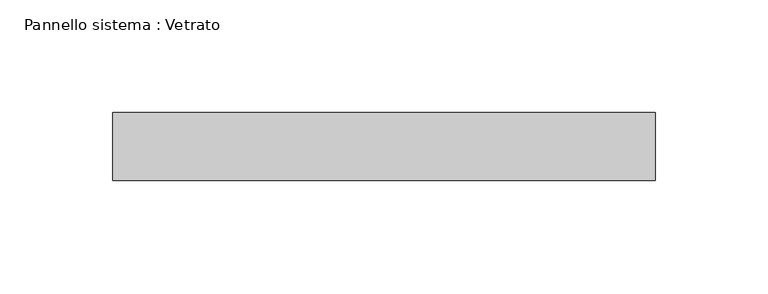
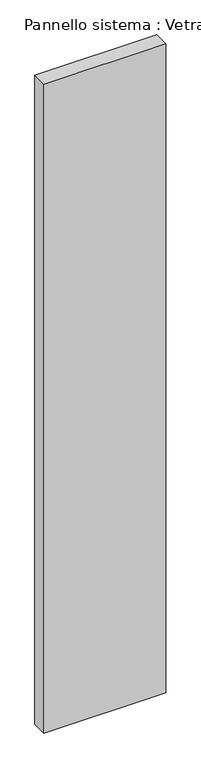
"""IFC4 building model written with IfcOpenShell, lengths in millimetres: plate geometry, Pannello sistema : Vetrato."""

import ifcopenshell
import ifcopenshell.guid

model = None  # the IFC model being written
_history = None  # IfcOwnerHistory: only IFC2X3 demands one
_inside = {}  # id of a spatial element -> (the spatial element, [elements in it])
_under = {}  # id of a project, library or spatial element -> (it, [spatial elements below it])
_declared = {}  # id of a project -> (the project, [libraries it declares])
_typed = {}  # id of a type object -> (the type object, [elements of that type])
_made_of = {}  # id of a material, layer set ... -> (it, [elements and type objects made of it])


def new_model(schema):
    """Start an empty IFC model of exactly this schema.

    Asked for "IFC4X3", IfcOpenShell would pick the latest addendum, in which some entities
    have other attributes; the version numbers below select the first issue.
    IFC2X3 requires an IfcOwnerHistory on every rooted entity: one is made here for all.
    """
    global model, _history
    if schema == "IFC4X3":
        model = ifcopenshell.file(schema_version=(4, 3, 0, 0))
    else:
        model = ifcopenshell.file(schema=schema)
    _inside.clear()
    _under.clear()
    _declared.clear()
    _typed.clear()
    _made_of.clear()
    _history = None
    if model.schema == "IFC2X3":
        org = make("IfcOrganization", Name="unknown")
        user = make(
            "IfcPersonAndOrganization",
            ThePerson=make("IfcPerson", FamilyName="unknown"),
            TheOrganization=org,
        )
        app = make(
            "IfcApplication",
            ApplicationDeveloper=org,
            Version="unknown",
            ApplicationFullName="unknown",
            ApplicationIdentifier="unknown",
        )
        _history = make(
            "IfcOwnerHistory",
            OwningUser=user,
            OwningApplication=app,
            ChangeAction="ADDED",
            CreationDate=0,
        )
    return model


def make(cls, **values):
    """One entity of the class cls with the attributes given. An attribute that is None is left unset."""
    return model.create_entity(
        cls, **{name: value for name, value in values.items() if value is not None}
    )


def rooted(cls, **values):
    """An entity with a GlobalId (a new one), such as an element, a storey or a relation."""
    return make(cls, GlobalId=ifcopenshell.guid.new(), OwnerHistory=_history, **values)


def si_unit(unit_type, name, prefix=None):
    """IfcSIUnit, for example si_unit("LENGTHUNIT", "METRE", prefix="MILLI")."""
    return make("IfcSIUnit", UnitType=unit_type, Prefix=prefix, Name=name)


def assignment(units):
    """IfcUnitAssignment: the units of a project."""
    return None if units is None else make("IfcUnitAssignment", Units=units)


def point(xyz):
    """IfcCartesianPoint."""
    return None if xyz is None else make("IfcCartesianPoint", Coordinates=xyz)


def direction(xyz):
    """IfcDirection."""
    return None if xyz is None else make("IfcDirection", DirectionRatios=xyz)


def frame(location, z_axis=None, x_axis=None):
    """IfcAxis2Placement3D, a coordinate frame: its origin and axes. An axis left out is left unset."""
    return make(
        "IfcAxis2Placement3D",
        Location=point(location),
        Axis=direction(z_axis),
        RefDirection=direction(x_axis),
    )


def origin():
    """The frame at (0, 0, 0) with its axes left unset."""
    return frame((0.0, 0.0, 0.0))


def origin_with_axes():
    """The frame at (0, 0, 0) with the z axis (0, 0, 1) and the x axis (1, 0, 0) written out."""
    return frame((0.0, 0.0, 0.0), z_axis=(0.0, 0.0, 1.0), x_axis=(1.0, 0.0, 0.0))


def place(relative_to, where):
    """IfcLocalPlacement: puts the frame where relative to a parent placement (None: the world)."""
    return make(
        "IfcLocalPlacement", PlacementRelTo=relative_to, RelativePlacement=where
    )


def context(
    kind, dimensions, precision=None, world=None, true_north=None, identifier=None
):
    """IfcGeometricRepresentationContext, for example the 3D "Model" context."""
    return make(
        "IfcGeometricRepresentationContext",
        ContextIdentifier=identifier,
        ContextType=kind,
        CoordinateSpaceDimension=dimensions,
        Precision=precision,
        WorldCoordinateSystem=world,
        TrueNorth=true_north,
    )


def project(units=None, contexts=None):
    """IfcProject with its units and contexts."""
    return rooted(
        "IfcProject",
        Name="project",
        RepresentationContexts=contexts,
        UnitsInContext=assignment(units),
    )


def spatial(cls, under=None, at=None, **own):
    """A site, building, storey or space (cls), placed at a placement, below another one or the project."""
    s = rooted(cls, ObjectPlacement=at, **own)
    if under is not None:
        _under.setdefault(under.id(), (under, []))[1].append(s)
    return s


def polyline(points):
    """IfcPolyline through the points."""
    return make("IfcPolyline", Points=[point(p) for p in points])


def outline(outer, holes=None, kind="AREA"):
    """IfcArbitraryClosedProfileDef: a profile drawn as a closed curve; with holes, ...WithVoids."""
    if holes is None:
        return make("IfcArbitraryClosedProfileDef", ProfileType=kind, OuterCurve=outer)
    return make(
        "IfcArbitraryProfileDefWithVoids",
        ProfileType=kind,
        OuterCurve=outer,
        InnerCurves=holes,
    )


def extrude(swept, where, along, depth):
    """IfcExtrudedAreaSolid: the profile swept, set in the frame where, extruded along a direction by depth."""
    return make(
        "IfcExtrudedAreaSolid",
        SweptArea=swept,
        Position=where,
        ExtrudedDirection=direction(along),
        Depth=depth,
    )


def shape(context_of_items, identifier, shape_type, items):
    """IfcShapeRepresentation: the items that make up one representation, for example the "Body"."""
    return make(
        "IfcShapeRepresentation",
        ContextOfItems=context_of_items,
        RepresentationIdentifier=identifier,
        RepresentationType=shape_type,
        Items=items,
    )


def source(mapping_origin, context_of_items, identifier, shape_type, items):
    """IfcRepresentationMap: a shape defined once, which mapped items show again and again."""
    return make(
        "IfcRepresentationMap",
        MappingOrigin=mapping_origin,
        MappedRepresentation=shape(context_of_items, identifier, shape_type, items),
    )


def transform(
    local_origin,
    x_axis=None,
    y_axis=None,
    z_axis=None,
    scale=None,
    scale2=None,
    scale3=None,
    uniform=True,
):
    """IfcCartesianTransformationOperator3D, or its non-uniform kind. x_axis, y_axis, z_axis: its Axis1, 2, 3."""
    if uniform:
        return make(
            "IfcCartesianTransformationOperator3D",
            Axis1=direction(x_axis),
            Axis2=direction(y_axis),
            LocalOrigin=point(local_origin),
            Scale=scale,
            Axis3=direction(z_axis),
        )
    return make(
        "IfcCartesianTransformationOperator3DnonUniform",
        Axis1=direction(x_axis),
        Axis2=direction(y_axis),
        LocalOrigin=point(local_origin),
        Scale=scale,
        Axis3=direction(z_axis),
        Scale2=scale2,
        Scale3=scale3,
    )


def mapped(mapping_source, mapping_target):
    """IfcMappedItem: shows the shape of a source again, moved by a transform."""
    return make(
        "IfcMappedItem", MappingSource=mapping_source, MappingTarget=mapping_target
    )


def made_of(thing, what):
    """Note that an element or type object is made of a material, layer set ...; save() writes the relation."""
    if what is not None:
        _made_of.setdefault(what.id(), (what, []))[1].append(thing)
    return thing


def element(
    cls,
    number,
    at=None,
    inside=None,
    cuts=None,
    type_object=None,
    material=None,
    context=None,
    identifier="Body",
    shape_type=None,
    held_by="IfcProductDefinitionShape",
    body=None,
    shapes=None,
    **own,
):
    """One element of the class cls, such as IfcWall. Its Tag is "e" and its number.

    at: its placement. inside: the storey or other place that contains it. cuts: it is an
    opening in that element (IfcRelVoidsElement). A single representation is given by context,
    identifier, shape_type and body (its items); several are given by shapes. held_by: the class
    of the entity that holds the representations. save() writes the other relations.
    """
    e = rooted(cls, Tag="e%d" % number, ObjectPlacement=at, **own)
    if body is not None:
        shapes = [shape(context, identifier, shape_type, body)]
    if shapes is not None:
        e.Representation = make(held_by, Representations=shapes)
    if inside is not None:
        _inside.setdefault(inside.id(), (inside, []))[1].append(e)
    if cuts is not None:
        rooted(
            "IfcRelVoidsElement", RelatingBuildingElement=cuts, RelatedOpeningElement=e
        )
    if type_object is not None:
        _typed.setdefault(type_object.id(), (type_object, []))[1].append(e)
    return made_of(e, material)


def aggregate(whole, parts):
    """IfcRelAggregates: a whole, such as a stair, and the parts it consists of."""
    return rooted("IfcRelAggregates", RelatingObject=whole, RelatedObjects=parts)


def save(model, path):
    """Write the relations noted so far, then the file.

    IfcRelAggregates (storeys below a building ...), IfcRelContainedInSpatialStructure (elements
    in a storey), IfcRelDefinesByType, IfcRelAssociatesMaterial and IfcRelDeclares: one each for
    every whole, place, type object, material and project.
    """
    for whole, parts in _under.values():
        aggregate(whole, parts)
    for where, things in _inside.values():
        rooted(
            "IfcRelContainedInSpatialStructure",
            RelatedElements=things,
            RelatingStructure=where,
        )
    for kind, things in _typed.values():
        rooted("IfcRelDefinesByType", RelatedObjects=things, RelatingType=kind)
    for what, things in _made_of.values():
        rooted("IfcRelAssociatesMaterial", RelatedObjects=things, RelatingMaterial=what)
    for by, libraries in _declared.values():
        rooted("IfcRelDeclares", RelatingContext=by, RelatedDefinitions=libraries)
    model.write(path)


def pannello_sistema_vetrato_b8595a20(model_context):
    return source(origin(), model_context, "Body", "SweptSolid", [
        extrude(outline(polyline([(120.0, -15.0), (-120.0, -15.0), (-120.0, 15.0), (120.0, 15.0), (120.0, -15.0)])), origin_with_axes(), (0.0, 0.0, 1.0), 1350.0),
    ])


if __name__ == "__main__":
    model = new_model("IFC4")
    model_context = context("Model", 3, world=origin())
    ifc_project = project(units=[si_unit("LENGTHUNIT", "METRE", prefix="MILLI")], contexts=[model_context])
    site = spatial("IfcSite", under=ifc_project)
    building = spatial("IfcBuilding", under=site)
    placement = place(None, origin())
    pannello_sistema_vetrato_shape = pannello_sistema_vetrato_b8595a20(model_context)
    element("IfcPlate", 1, ObjectType="Pannello sistema : Vetrato", at=placement, inside=building, context=model_context, shape_type="MappedRepresentation", body=[
        mapped(pannello_sistema_vetrato_shape, transform((0.0, 0.0, 0.0), x_axis=(1.0, 0.0, 0.0), y_axis=(0.0, 1.0, 0.0), z_axis=(0.0, 0.0, 1.0))),
    ])
    save(model, "model.ifc")
